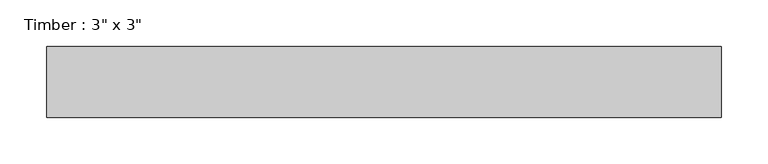
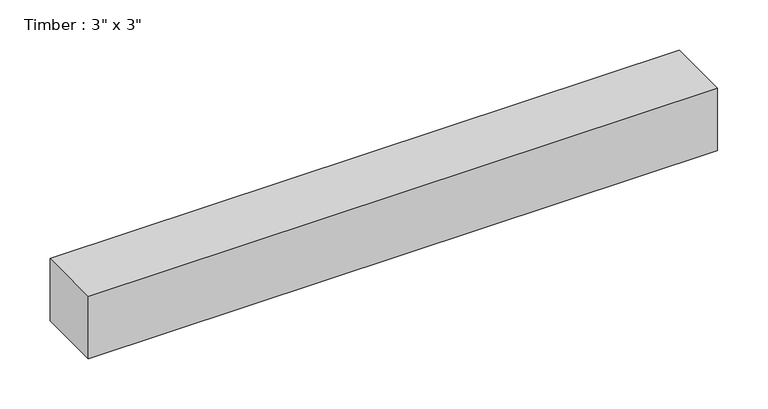
"""IFC4 building model written with IfcOpenShell, lengths in millimetres: beam geometry."""

from ifc_helpers import new_model, si_unit, frame, origin, place, context, project, spatial, polyline, outline, extrude, source, transform, mapped, element, save


def beam_67f3b001(model_context):
    return source(origin(), model_context, "Body", "SweptSolid", [
        extrude(outline(polyline([(361.95, 38.1), (361.95, -38.1), (-361.95, -38.1), (-361.95, 38.1), (361.95, 38.1)])), frame((0.0, 0.0, -38.1), z_axis=(0.0, 0.0, 1.0), x_axis=(1.0, 0.0, 0.0)), (0.0, 0.0, 1.0), 76.2),
    ])


if __name__ == "__main__":
    model = new_model("IFC4")
    model_context = context("Model", 3, world=origin())
    ifc_project = project(units=[si_unit("LENGTHUNIT", "METRE", prefix="MILLI")], contexts=[model_context])
    site = spatial("IfcSite", under=ifc_project)
    building = spatial("IfcBuilding", under=site)
    placement = place(None, origin())
    beam_shape = beam_67f3b001(model_context)
    element("IfcBeam", 1, ObjectType="Timber : 3\" x 3\"", at=placement, inside=building, context=model_context, shape_type="MappedRepresentation", body=[
        mapped(beam_shape, transform((0.0, 0.0, 0.0), x_axis=(1.0, 0.0, 0.0), y_axis=(0.0, 1.0, 0.0), z_axis=(0.0, 0.0, 1.0))),
    ])
    save(model, "model.ifc")
